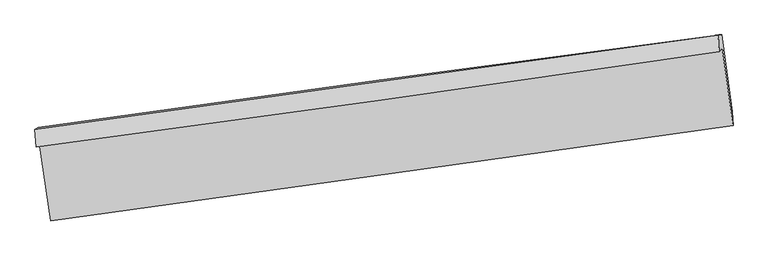
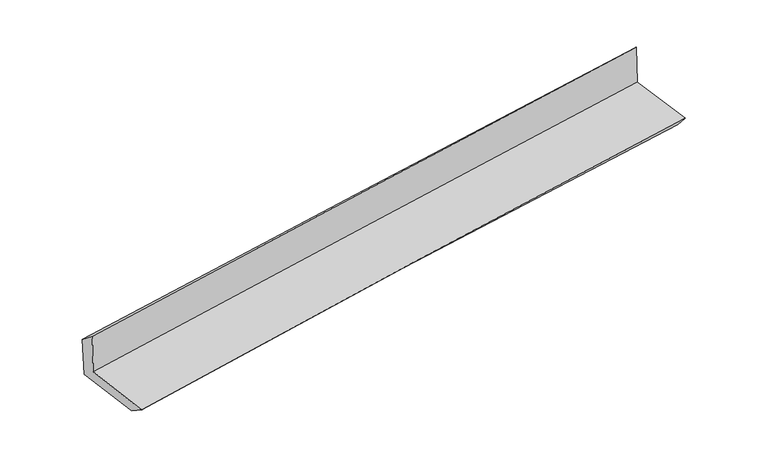
"""IFC4 building model written with IfcOpenShell, lengths in millimetres: proxy geometry."""

from ifc_helpers import new_model, si_unit, frame, origin, place, context, project, spatial, source, transform, mapped, element, save
from ifc_brep_helpers import plane_surface, spline_curve, spline_surface, advanced_brep


def generic_models_75504961(model_context):
    return source(origin(), model_context, "Body", "AdvancedBrep", [
        advanced_brep(
        [(-3003.1525737, -1898.1028305, 1644.8013697), (-2906.909992, -2578.6464407, 1616.0022031), (3047.5718373, -1742.1016919, 2132.2784068), (2953.3984522, -1066.0842271, 2143.4694134), (-3032.1809832, -1930.7765311, 2053.5025102), (2925.0364557, -1097.6926133, 2542.2579577), (-3043.1019518, -1780.0980774, 1933.2797486), (2916.5691309, -956.0306013, 2407.2907396), (-3013.5434355, -1759.1859081, 1537.8913881), (2948.0170185, -951.2368682, 2015.9744583), (-2919.8593729, -2425.6877751, 1516.6663761), (3042.2397073, -1621.6677206, 1994.790499)],
        [
            (0, 1),
            (1, 2, spline_curve(3, [(-2906.909992, -2578.6464407, 1616.0022031), (-1915.522046459, -2439.829267893, 1715.555258321), (-923.62071229, -2300.708542823, 1808.354842709), (1061.206566201, -2021.860292006, 1980.446880935), (2054.132508901, -1882.132767595, 2059.739364622), (3047.5718373, -1742.1016919, 2132.2784068)], [4, 2, 4], [0.0, 9.900222039708469, 19.80042247673424])),
            (2, 3),
            (3, 0, spline_curve(3, [(2953.3984522, -1066.0842271, 2143.4694134), (1960.976927438, -1213.657237867, 2071.205670386), (968.387454643, -1356.778556259, 1993.51817979), (-1017.129553084, -1634.118109925, 1827.295522058), (-2010.057089012, -1768.336326169, 1738.760331518), (-3003.1525737, -1898.1028305, 1644.8013697)], [4, 2, 4], [0.0, 9.900200437025772, 19.80042247673424])),
            (4, 0),
            (3, 5),
            (5, 4, spline_curve(3, [(2925.0364557, -1097.6926133, 2542.2579577), (1932.491547777, -1245.349360015, 2471.638668488), (939.784848903, -1388.601322206, 2395.599453218), (-1045.954296386, -1666.295980765, 2232.680994635), (-2038.986744138, -1800.73865795, 2145.801726984), (-3032.1809832, -1930.7765311, 2053.5025102)], [4, 2, 4], [0.0, 9.900181124149318, 19.80038385093919])),
            (6, 4),
            (5, 7),
            (7, 6, spline_curve(3, [(2916.5691309, -956.0306013, 2407.2907396), (1922.826365736, -1091.711514707, 2331.13630431), (929.316267813, -1228.224185132, 2253.558215266), (-1057.240760989, -1502.91333996, 2095.554557949), (-2050.287690499, -1641.089828389, 2015.12898311), (-3043.1019518, -1780.0980774, 1933.2797486)], [4, 2, 4], [0.0, 9.90000982530943, 19.800041252885634])),
            (8, 6),
            (7, 9),
            (9, 8, spline_curve(3, [(2948.0170185, -951.2368682, 2015.9744583), (1953.34131033, -1078.850258771, 1937.626914212), (959.207293102, -1209.985963551, 1858.612930423), (-1027.979527565, -1479.302294679, 1699.251909711), (-2021.032328337, -1617.482936661, 1618.904870273), (-3013.5434355, -1759.1859081, 1537.8913881)], [4, 2, 4], [0.0, 9.899986000337687, 19.79999360289016])),
            (10, 8),
            (9, 11),
            (11, 10, spline_curve(3, [(3042.2397073, -1621.6677206, 1994.790499), (2048.222223984, -1753.915456555, 1916.212285961), (1054.372434177, -1887.040921892, 1837.079546351), (-932.993926436, -2155.047602709, 1677.704841368), (-1926.510496664, -2289.928822447, 1597.462873105), (-2919.8593729, -2425.6877751, 1516.6663761)], [4, 2, 4], [0.0, 9.900006447995114, 19.800034498249634])),
            (1, 10),
            (11, 2),
        ],
        [
            spline_surface(3, 3, [[(-3003.1525737, -1898.1028305, 1644.8013697), (-2010.057089028, -1768.336326304, 1738.760331539), (-1017.129553157, -1634.118110034, 1827.295522138), (968.387454716, -1356.778556149, 1993.518179709), (1960.976927533, -1213.657237934, 2071.205670328), (2953.3984522, -1066.0842271, 2143.4694134)], [(-2971.071713136, -2124.950700569, 1635.2016475), (-1978.545408125, -1992.167306873, 1731.025307162), (-985.95993958, -1856.314920962, 1820.981962277), (999.327158562, -1578.472468063, 1989.161080132), (1992.028787983, -1436.48241444, 2067.383568451), (2984.789580598, -1291.423382023, 2139.739077852)], [(-2938.990852564, -2351.798570631, 1625.6019253), (-1947.033727213, -2215.998287436, 1723.290282784), (-954.790325962, -2078.51173195, 1814.668402472), (1030.266862449, -1800.166380037, 1984.80398061), (2023.08064834, -1659.307590977, 2063.561466619), (3016.180708902, -1516.762536977, 2136.008742348)], [(-2906.909992, -2578.6464407, 1616.0022031), (-1915.52204631, -2439.829268005, 1715.555258408), (-923.620712385, -2300.708542878, 1808.354842612), (1061.206566296, -2021.860291951, 1980.446881032), (2054.13250879, -1882.132767483, 2059.739364742), (3047.5718373, -1742.1016919, 2132.2784068)]], [4, 4], [4, 2, 4], [0.0, 2.2064066914970297], [0.0, 9.900222039708469, 19.80042247673424]),
            spline_surface(3, 3, [[(-3032.1809832, -1930.7765311, 2053.5025102), (-2038.986744123, -1800.738657803, 2145.801726962), (-1045.954296541, -1666.295980726, 2232.680994511), (939.784849058, -1388.601322244, 2395.599453342), (1932.491547766, -1245.349360039, 2471.638668325), (2925.0364557, -1097.6926133, 2542.2579577)], [(-3022.504846679, -1919.885297568, 1917.268796686), (-2029.343525736, -1789.937880638, 2010.121261808), (-1036.34604872, -1655.570023827, 2097.552503731), (949.31905097, -1377.993733544, 2261.572362142), (1941.986674344, -1234.785319341, 2338.161002336), (2934.490454522, -1087.15648457, 2409.328442944)], [(-3012.828710221, -1908.994064032, 1781.035083214), (-2019.700307414, -1779.13710347, 1874.440796693), (-1026.737800978, -1644.844066934, 1962.424012918), (958.853252803, -1367.38614485, 2127.545270909), (1951.481800955, -1224.221278632, 2204.683336317), (2943.944453378, -1076.62035583, 2276.398928156)], [(-3003.1525737, -1898.1028305, 1644.8013697), (-2010.057089028, -1768.336326304, 1738.760331539), (-1017.129553157, -1634.118110034, 1827.295522138), (968.387454716, -1356.778556149, 1993.518179709), (1960.976927533, -1213.657237934, 2071.205670328), (2953.3984522, -1066.0842271, 2143.4694134)]], [4, 4], [4, 2, 4], [0.0, 1.3320740670785731], [0.0, 9.900202726789873, 19.80038385093919]),
            spline_surface(3, 3, [[(-3043.1019518, -1780.0980774, 1933.2797486), (-2050.287690554, -1641.089828346, 2015.128983117), (-1057.240760887, -1502.913340086, 2095.55455788), (929.316267711, -1228.224185006, 2253.558215334), (1922.826365579, -1091.711514586, 2331.136304237), (2916.5691309, -956.0306013, 2407.2907396)], [(-3039.461628943, -1830.324228629, 1973.354002464), (-2046.52070842, -1694.306104827, 2058.686564396), (-1053.478606105, -1557.374220304, 2141.263370096), (932.805794826, -1281.683230756, 2300.905294675), (1926.048092955, -1142.924129751, 2377.970425581), (2919.39157248, -1003.251271981, 2452.279812281)], [(-3035.821306057, -1880.550379871, 2013.428256336), (-2042.753726257, -1747.522381322, 2102.244145683), (-1049.716451323, -1611.835100509, 2186.972182295), (936.295321942, -1335.142276494, 2348.252374001), (1929.269820391, -1194.136744875, 2424.804546981), (2922.21401412, -1050.471942619, 2497.268885019)], [(-3032.1809832, -1930.7765311, 2053.5025102), (-2038.986744123, -1800.738657803, 2145.801726962), (-1045.954296541, -1666.295980726, 2232.680994511), (939.784849058, -1388.601322244, 2395.599453342), (1932.491547766, -1245.349360039, 2471.638668325), (2925.0364557, -1097.6926133, 2542.2579577)]], [4, 4], [4, 2, 4], [0.0, 0.7021845603624876], [0.0, 9.900031427576204, 19.800041252885634]),
            spline_surface(3, 3, [[(-3013.5434355, -1759.1859081, 1537.8913881), (-2021.032328186, -1617.482936724, 1618.904870188), (-1027.9795274, -1479.302294737, 1699.251909821), (959.207292937, -1209.985963493, 1858.612930312), (1953.341310204, -1078.850258812, 1937.62691408), (2948.0170185, -951.2368682, 2015.9744583)], [(-3023.396274282, -1766.156631198, 1669.687508266), (-2030.784115657, -1625.351900596, 1750.979574497), (-1037.733271918, -1487.172643188, 1831.352792492), (949.243617839, -1216.065370665, 1990.261358637), (1943.169662023, -1083.13734404, 2068.796710799), (2937.534389327, -952.834779204, 2146.413218734)], [(-3033.249113018, -1773.127354302, 1801.483628434), (-2040.535903083, -1633.220864474, 1883.054278808), (-1047.487016369, -1495.042991635, 1963.45367521), (939.279942809, -1222.144777833, 2121.909787009), (1932.99801376, -1087.424429357, 2199.966507518), (2927.051760073, -954.432690296, 2276.851979166)], [(-3043.1019518, -1780.0980774, 1933.2797486), (-2050.287690554, -1641.089828346, 2015.128983117), (-1057.240760887, -1502.913340086, 2095.55455788), (929.316267711, -1228.224185006, 2253.558215334), (1922.826365579, -1091.711514586, 2331.136304237), (2916.5691309, -956.0306013, 2407.2907396)]], [4, 4], [4, 2, 4], [0.0, 1.3034100649026814], [0.0, 9.900007602552474, 19.79999360289016]),
            spline_surface(3, 3, [[(-2919.8593729, -2425.6877751, 1516.6663761), (-1926.510496776, -2289.928822478, 1597.462873029), (-932.99392653, -2155.047602806, 1677.704841244), (1054.372434271, -1887.040921795, 1837.079546475), (2048.222224087, -1753.915456651, 1916.212285858), (3042.2397073, -1621.6677206, 1994.790499)], [(-2951.087393739, -2203.520486101, 1523.741380127), (-1958.017773885, -2065.780193894, 1604.610205442), (-964.655793496, -1929.799166792, 1684.887197454), (1022.650720484, -1661.355935703, 1844.257341105), (2016.595252791, -1528.893724065, 1923.350495274), (3010.832144365, -1398.190769827, 2001.851818775)], [(-2982.315414661, -1981.353197099, 1530.816384073), (-1989.525051077, -1841.631565308, 1611.757537775), (-996.317660435, -1704.550730751, 1692.069553612), (990.929006724, -1435.670949585, 1851.435135683), (1984.9682815, -1303.871991397, 1930.488704665), (2979.424581435, -1174.713818973, 2008.913138525)], [(-3013.5434355, -1759.1859081, 1537.8913881), (-2021.032328186, -1617.482936724, 1618.904870188), (-1027.9795274, -1479.302294737, 1699.251909821), (959.207292937, -1209.985963493, 1858.612930312), (1953.341310204, -1078.850258812, 1937.62691408), (2948.0170185, -951.2368682, 2015.9744583)]], [4, 4], [4, 2, 4], [0.0, 2.2420897039162315], [0.0, 9.90002805025452, 19.800034498249634]),
            spline_surface(3, 3, [[(-2906.909992, -2578.6464407, 1616.0022031), (-1915.52204631, -2439.829268005, 1715.555258408), (-923.620712385, -2300.708542878, 1808.354842612), (1061.206566296, -2021.860291951, 1980.446881032), (2054.13250879, -1882.132767483, 2059.739364742), (3047.5718373, -1742.1016919, 2132.2784068)], [(-2911.226452321, -2527.660218835, 1582.890260756), (-1919.184863154, -2389.862452831, 1676.191129938), (-926.745117081, -2252.154896196, 1764.804842157), (1058.928522306, -1976.920501907, 1932.657769514), (2052.162413864, -1839.393663868, 2011.897005128), (3045.794460608, -1701.957034796, 2086.449104214)], [(-2915.542912579, -2476.673996965, 1549.778318444), (-1922.847679933, -2339.895637652, 1636.8270015), (-929.869521834, -2203.601249489, 1721.254841699), (1056.650478261, -1931.980711839, 1884.868657993), (2050.192319013, -1796.654560266, 1964.054645472), (3044.017083992, -1661.812377704, 2040.619801586)], [(-2919.8593729, -2425.6877751, 1516.6663761), (-1926.510496776, -2289.928822478, 1597.462873029), (-932.99392653, -2155.047602806, 1677.704841244), (1054.372434271, -1887.040921795, 1837.079546475), (2048.222224087, -1753.915456651, 1916.212285858), (3042.2397073, -1621.6677206, 1994.790499)]], [4, 4], [4, 2, 4], [0.0, 0.6437835996477558], [0.0, 9.900020884933557, 19.800020167623344]),
            plane_surface(frame((2972.138767, -1239.1356204, 2206.0102458), z_axis=(0.9873624160738851, 0.13620446326917623, 0.08101730377083544), x_axis=(-0.08010013769580057, -0.012209998972636625, 0.99671203658138))),
            plane_surface(frame((-2986.4580515, -2062.0829271, 1717.0239326), z_axis=(-0.9873624160738378, -0.13620446326949504, -0.08101730377087646), x_axis=(-0.13990408042964142, 0.9892796546457491, 0.041864223187872016))),
        ],
        [
            (0, [[1, 2, 3, 4]]),
            (1, [[5, -4, 6, 7]]),
            (2, [[8, -7, 9, 10]]),
            (3, [[11, -10, 12, 13]]),
            (4, [[14, -13, 15, 16]]),
            (5, [[17, -16, 18, -2]]),
            (6, [[-12, -9, -6, -3, -18, -15]]),
            (7, [[-1, -5, -8, -11, -14, -17]]),
        ],
    ),
    ])


if __name__ == "__main__":
    model = new_model("IFC4")
    model_context = context("Model", 3, world=origin())
    ifc_project = project(units=[si_unit("LENGTHUNIT", "METRE", prefix="MILLI")], contexts=[model_context])
    site = spatial("IfcSite", under=ifc_project)
    building = spatial("IfcBuilding", under=site)
    placement = place(None, origin())
    generic_models_shape = generic_models_75504961(model_context)
    element("IfcBuildingElementProxy", 1, Name="Generic Models", at=placement, inside=building, context=model_context, shape_type="MappedRepresentation", body=[
        mapped(generic_models_shape, transform((0.0, 0.0, 0.0), x_axis=(1.0, 0.0, 0.0), y_axis=(0.0, 1.0, 0.0), z_axis=(0.0, 0.0, 1.0))),
    ])
    save(model, "model.ifc")
